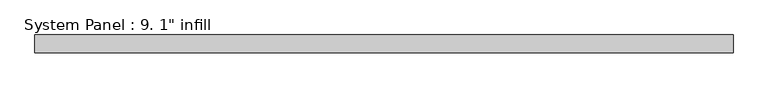
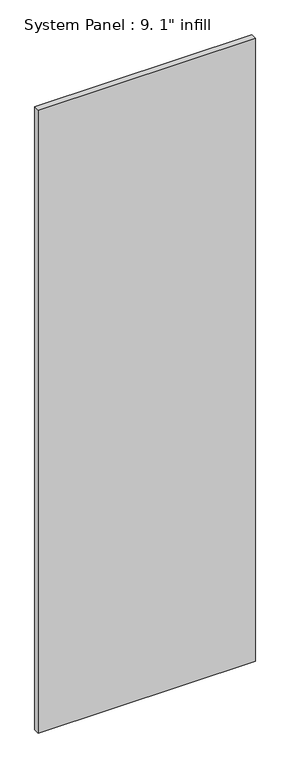
"""IFC4 building model written with IfcOpenShell, lengths in millimetres: plate geometry."""

from ifc_helpers import new_model, si_unit, origin, origin_with_axes, place, context, project, spatial, polyline, outline, extrude, source, transform, mapped, element, save


def plate_8739bb81(model_context):
    return source(origin(), model_context, "Body", "SweptSolid", [
        extrude(outline(polyline([(503.2375, -12.7), (-503.2375, -12.7), (-503.2375, 12.7), (503.2375, 12.7), (503.2375, -12.7)])), origin_with_axes(), (0.0, 0.0, 1.0), 3048.0),
    ])


if __name__ == "__main__":
    model = new_model("IFC4")
    model_context = context("Model", 3, world=origin())
    ifc_project = project(units=[si_unit("LENGTHUNIT", "METRE", prefix="MILLI")], contexts=[model_context])
    site = spatial("IfcSite", under=ifc_project)
    building = spatial("IfcBuilding", under=site)
    placement = place(None, origin())
    plate_shape = plate_8739bb81(model_context)
    element("IfcPlate", 1, ObjectType="System Panel : 9. 1\" infill", at=placement, inside=building, context=model_context, shape_type="MappedRepresentation", body=[
        mapped(plate_shape, transform((0.0, 0.0, 0.0), x_axis=(1.0, 0.0, 0.0), y_axis=(0.0, 1.0, 0.0), z_axis=(0.0, 0.0, 1.0))),
    ])
    save(model, "model.ifc")
